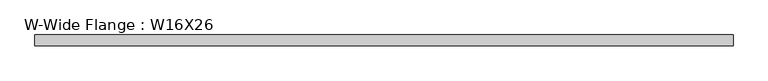
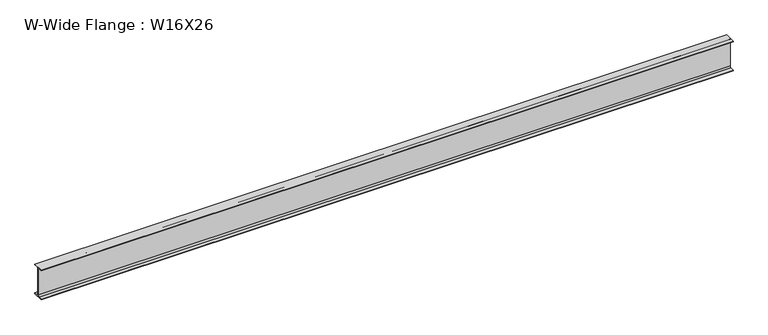
"""IFC4 building model written with IfcOpenShell, lengths in millimetres: beam geometry, W-Wide Flange : W16X26."""

from ifc_helpers import new_model, si_unit, point, frame, frame_2d, origin, place, context, project, spatial, polyline, circle_curve, trimmed, segment, composite_curve, outline, extrude, source, transform, mapped, element, save


def w_wide_flange_w16x26_b863dda3(model_context):
    return source(origin(), model_context, "Body", "SweptSolid", [
        extrude(outline(composite_curve([segment(polyline([(69.85, -190.5496094), (69.85, -199.2808594), (-69.85, -199.2808594), (-69.85, -190.5496094), (-21.43125, -190.5496094)]), True, "CONTINUOUS"), segment(trimmed(circle_curve(frame_2d((-21.43125, -172.2933594)), 18.25625), [point((-21.43125, -190.5496094))], [point((-3.175, -172.2933594))], True, "CARTESIAN"), True, "CONTINUOUS"), segment(polyline([(-3.175, -172.2933594), (-3.175, 172.2933594)]), True, "CONTINUOUS"), segment(trimmed(circle_curve(frame_2d((-21.43125, 172.2933594)), 18.25625), [point((-3.175, 172.2933594))], [point((-21.43125, 190.5496094))], True, "CARTESIAN"), True, "CONTINUOUS"), segment(polyline([(-21.43125, 190.5496094), (-69.85, 190.5496094), (-69.85, 199.2808594), (69.85, 199.2808594), (69.85, 190.5496094), (21.43125, 190.5496094)]), True, "CONTINUOUS"), segment(trimmed(circle_curve(frame_2d((21.43125, 172.2933594)), 18.25625), [point((21.43125, 190.5496094))], [point((3.175, 172.2933594))], True, "CARTESIAN"), True, "CONTINUOUS"), segment(polyline([(3.175, 172.2933594), (3.175, -172.2933594)]), True, "CONTINUOUS"), segment(trimmed(circle_curve(frame_2d((21.43125, -172.2933594)), 18.25625), [point((3.175, -172.2933594))], [point((21.43125, -190.5496094))], True, "CARTESIAN"), True, "CONTINUOUS"), segment(polyline([(21.43125, -190.5496094), (69.85, -190.5496094)]), True, "CONTINUOUS")], self_intersect=False)), frame((-4406.9, 0.0, 0.0), z_axis=(1.0, 0.0, 0.0), x_axis=(0.0, 1.0, 0.0)), (0.0, 0.0, 1.0), 8813.8),
    ])


if __name__ == "__main__":
    model = new_model("IFC4")
    model_context = context("Model", 3, world=origin())
    ifc_project = project(units=[si_unit("LENGTHUNIT", "METRE", prefix="MILLI")], contexts=[model_context])
    site = spatial("IfcSite", under=ifc_project)
    building = spatial("IfcBuilding", under=site)
    placement = place(None, origin())
    w_wide_flange_w16x26_shape = w_wide_flange_w16x26_b863dda3(model_context)
    element("IfcBeam", 1, ObjectType="W-Wide Flange : W16X26", at=placement, inside=building, context=model_context, shape_type="MappedRepresentation", body=[
        mapped(w_wide_flange_w16x26_shape, transform((0.0, 0.0, 0.0), x_axis=(1.0, 0.0, 0.0), y_axis=(0.0, 1.0, 0.0), z_axis=(0.0, 0.0, 1.0))),
    ])
    save(model, "model.ifc")
